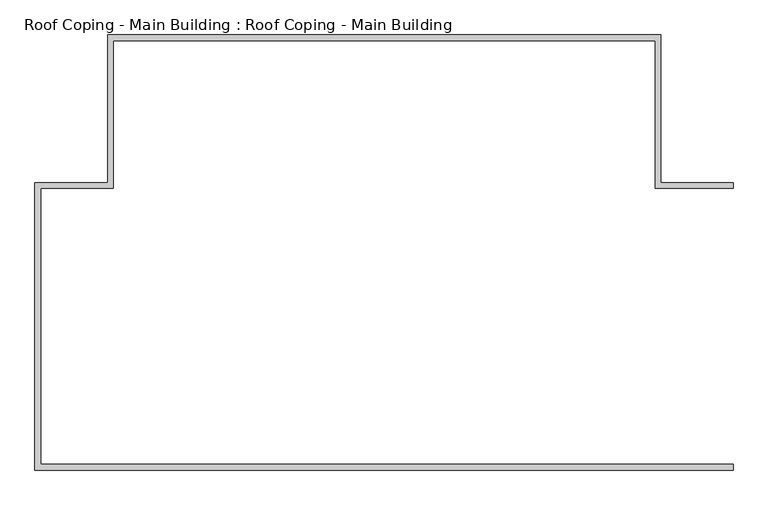
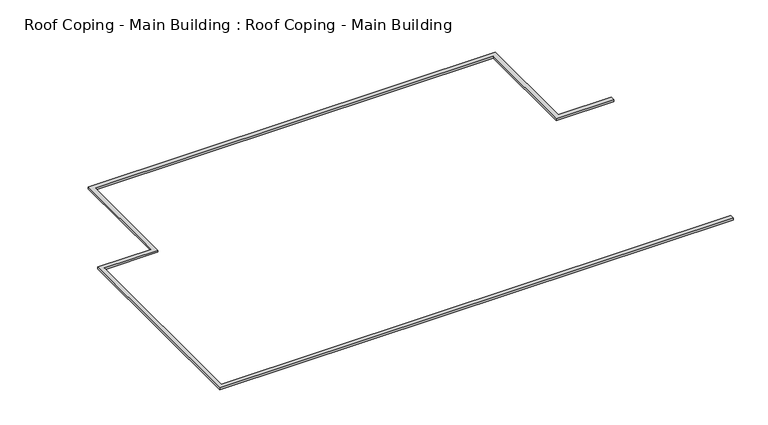
"""IFC4 building model written with IfcOpenShell, lengths in millimetres: proxy geometry, Roof Coping - Main Building : Roof Coping - Main Building."""

from ifc_helpers import new_model, si_unit, origin, place, context, project, spatial, faceted_brep, source, transform, mapped, element, save


def roof_coping_main_building_roof_coping_main_building_94d29c99(model_context):
    return source(origin(), model_context, "Body", "Brep", [
        faceted_brep([(20692.4250814, -23623.45659, 16000.0), (20692.4250814, -23623.45659, 15910.0), (20692.4250814, -23603.45659, 15910.0), (20692.4250814, -23603.45659, 16020.0), (20692.4250814, -23843.45659, 16020.0), (20692.4250814, -23843.45659, 15910.0), (20692.4250814, -23823.45659, 15910.0), (20692.4250814, -23823.45659, 16000.0), (-7907.5749186, -23623.45659, 16000.0), (-7907.5749186, -23623.45659, 15910.0), (-7907.5749186, -12202.2248986, 15910.0), (-4907.5749186, -12202.2248986, 15910.0), (-4907.5749186, -6102.2248986, 15910.0), (17492.4250814, -6102.2248986, 15910.0), (17492.4250814, -12202.2248986, 15910.0), (20692.4250814, -12202.2248986, 15910.0), (20692.4250814, -12222.2248986, 15910.0), (17472.4250814, -12222.2248986, 15910.0), (17472.4250814, -6122.2248986, 15910.0), (-4887.5749186, -6122.2248986, 15910.0), (-4887.5749186, -12222.2248986, 15910.0), (-7887.5749186, -12222.2248986, 15910.0), (-7887.5749186, -23603.45659, 15910.0), (-7887.5749186, -23603.45659, 16020.0), (-7887.5749186, -12222.2248986, 16020.0), (-4887.5749186, -12222.2248986, 16020.0), (-4887.5749186, -6122.2248986, 16020.0), (17472.4250814, -6122.2248986, 16020.0), (17472.4250814, -12222.2248986, 16020.0), (20692.4250814, -12222.2248986, 16020.0), (20692.4250814, -11982.2248986, 16020.0), (17712.4250814, -11982.2248986, 16020.0), (17712.4250814, -5882.2248986, 16020.0), (-5127.5749186, -5882.2248986, 16020.0), (-5127.5749186, -11982.2248986, 16020.0), (-8127.5749186, -11982.2248986, 16020.0), (-8127.5749186, -23843.45659, 16020.0), (-8127.5749186, -23843.45659, 15910.0), (-8127.5749186, -11982.2248986, 15910.0), (-5127.5749186, -11982.2248986, 15910.0), (-5127.5749186, -5882.2248986, 15910.0), (17712.4250814, -5882.2248986, 15910.0), (17712.4250814, -11982.2248986, 15910.0), (20692.4250814, -11982.2248986, 15910.0), (20692.4250814, -12002.2248986, 15910.0), (17692.4250814, -12002.2248986, 15910.0), (17692.4250814, -5902.2248986, 15910.0), (-5107.5749186, -5902.2248986, 15910.0), (-5107.5749186, -12002.2248986, 15910.0), (-8107.5749186, -12002.2248986, 15910.0), (-8107.5749186, -23823.45659, 15910.0), (-8107.5749186, -23823.45659, 16000.0), (-8107.5749186, -12002.2248986, 16000.0), (-5107.5749186, -12002.2248986, 16000.0), (-5107.5749186, -5902.2248986, 16000.0), (17692.4250814, -5902.2248986, 16000.0), (17692.4250814, -12002.2248986, 16000.0), (20692.4250814, -12002.2248986, 16000.0), (20692.4250814, -12202.2248986, 16000.0), (17492.4250814, -12202.2248986, 16000.0), (17492.4250814, -6102.2248986, 16000.0), (-4907.5749186, -6102.2248986, 16000.0), (-4907.5749186, -12202.2248986, 16000.0), (-7907.5749186, -12202.2248986, 16000.0)], [[[0, 1, 2, 3, 4, 5, 6, 7]], [[1, 0, 8, 9]], [[2, 1, 9, 10, 11, 12, 13, 14, 15, 16, 17, 18, 19, 20, 21, 22]], [[3, 2, 22, 23]], [[4, 3, 23, 24, 25, 26, 27, 28, 29, 30, 31, 32, 33, 34, 35, 36]], [[5, 4, 36, 37]], [[6, 5, 37, 38, 39, 40, 41, 42, 43, 44, 45, 46, 47, 48, 49, 50]], [[7, 6, 50, 51]], [[0, 7, 51, 52, 53, 54, 55, 56, 57, 58, 59, 60, 61, 62, 63, 8]], [[9, 8, 63, 10]], [[23, 22, 21, 24]], [[37, 36, 35, 38]], [[51, 50, 49, 52]], [[10, 63, 62, 11]], [[24, 21, 20, 25]], [[38, 35, 34, 39]], [[52, 49, 48, 53]], [[11, 62, 61, 12]], [[25, 20, 19, 26]], [[39, 34, 33, 40]], [[53, 48, 47, 54]], [[12, 61, 60, 13]], [[26, 19, 18, 27]], [[40, 33, 32, 41]], [[54, 47, 46, 55]], [[13, 60, 59, 14]], [[27, 18, 17, 28]], [[41, 32, 31, 42]], [[55, 46, 45, 56]], [[58, 57, 44, 43, 30, 29, 16, 15]], [[14, 59, 58, 15]], [[28, 17, 16, 29]], [[42, 31, 30, 43]], [[56, 45, 44, 57]]]),
    ])


if __name__ == "__main__":
    model = new_model("IFC4")
    model_context = context("Model", 3, world=origin())
    ifc_project = project(units=[si_unit("LENGTHUNIT", "METRE", prefix="MILLI")], contexts=[model_context])
    site = spatial("IfcSite", under=ifc_project)
    building = spatial("IfcBuilding", under=site)
    placement = place(None, origin())
    roof_coping_main_building_roof_coping_main_building_shape = roof_coping_main_building_roof_coping_main_building_94d29c99(model_context)
    element("IfcBuildingElementProxy", 1, Name="Roof Coping - Main Building : Roof Coping - Main Building", ObjectType="Roof Coping - Main Building : Roof Coping - Main Building", at=placement, inside=building, context=model_context, shape_type="MappedRepresentation", body=[
        mapped(roof_coping_main_building_roof_coping_main_building_shape, transform((0.0, 0.0, 0.0), x_axis=(1.0, 0.0, 0.0), y_axis=(0.0, 1.0, 0.0), z_axis=(0.0, 0.0, 1.0))),
    ])
    save(model, "model.ifc")
